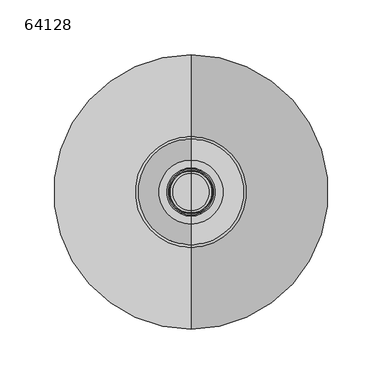
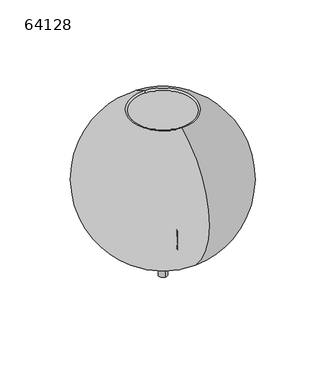
"""IFC4 building model written with IfcOpenShell, lengths in millimetres: light fixture geometry, 64128."""

from ifc_helpers import new_model, si_unit, point, frame, origin, place, context, project, spatial, polyline, circle_curve, ellipse_curve, trimmed, source, transform, mapped, element, save
from ifc_brep_helpers import plane_surface, cylinder_surface, revolved_surface, advanced_brep


def light_fixture_64128_de7f402c(model_context):
    return source(origin(), model_context, "Body", "AdvancedBrep", [
        advanced_brep(
        [(0.0, -49.3287589, 1399.5125762), (0.0, 49.3287589, 1399.5125762), (0.0, 50.5417612, 1402.2564103), (0.0, -50.5417612, 1402.2564103), (0.0, -22.77913, 1168.075448), (0.0, 22.77913, 1168.075448), (0.0, -23.3392726, 1165.1282051), (0.0, 23.3392726, 1165.1282051)],
        [
            (0, 1, circle_curve(frame((0.0, 0.0, 1399.5125762), z_axis=(0.0, 0.0, -1.0), x_axis=(0.0, 1.0, 0.0)), 49.3287589)),
            (1, 2, circle_curve(frame((0.0, 49.93526, 1400.8844932), z_axis=(-1.0, 0.0, 0.0), x_axis=(0.0, -1.0, 0.0)), 1.5)),
            (2, 3, circle_curve(frame((0.0, 0.0, 1402.2564103), z_axis=(0.0, 0.0, 1.0), x_axis=(0.0, 1.0, 0.0)), 50.5417612)),
            (3, 0, circle_curve(frame((0.0, -49.93526, 1400.8844932), z_axis=(-1.0, 0.0, 0.0), x_axis=(0.0, 1.0, 0.0)), 1.5)),
            (1, 0, circle_curve(frame((0.0, 0.0, 1399.5125762), z_axis=(0.0, 0.0, -1.0), x_axis=(0.0, 1.0, 0.0)), 49.3287589)),
            (3, 2, circle_curve(frame((0.0, 0.0, 1402.2564103), z_axis=(0.0, 0.0, 1.0), x_axis=(0.0, 1.0, 0.0)), 50.5417612)),
            (4, 5, circle_curve(frame((0.0, 0.0, 1168.075448), z_axis=(0.0, 0.0, -1.0), x_axis=(0.0, 1.0, 0.0)), 22.77913)),
            (5, 1, circle_curve(frame((0.0, 0.0, 1287.92999), z_axis=(1.0, 0.0, 0.0), x_axis=(0.0, -1.0, 0.0)), 122.0)),
            (0, 4, circle_curve(frame((0.0, 0.0, 1287.92999), z_axis=(1.0, 0.0, 0.0), x_axis=(0.0, 1.0, 0.0)), 122.0)),
            (5, 4, circle_curve(frame((0.0, 0.0, 1168.075448), z_axis=(0.0, 0.0, -1.0), x_axis=(0.0, 1.0, 0.0)), 22.77913)),
            (6, 7, circle_curve(frame((0.0, 0.0, 1165.1282051), z_axis=(0.0, 0.0, -1.0), x_axis=(0.0, 1.0, 0.0)), 23.3392726)),
            (7, 5, circle_curve(frame((0.0, 23.0592013, 1166.6018265), z_axis=(-1.0, 0.0, 0.0), x_axis=(0.0, -1.0, 0.0)), 1.5)),
            (4, 6, circle_curve(frame((0.0, -23.0592013, 1166.6018265), z_axis=(-1.0, 0.0, 0.0), x_axis=(0.0, 1.0, 0.0)), 1.5)),
            (7, 6, circle_curve(frame((0.0, 0.0, 1165.1282051), z_axis=(0.0, 0.0, -1.0), x_axis=(0.0, 1.0, 0.0)), 23.3392726)),
            (2, 7, circle_curve(frame((0.0, 0.0, 1287.92999), z_axis=(-1.0, 0.0, 0.0), x_axis=(0.0, -1.0, 0.0)), 125.0)),
            (6, 3, circle_curve(frame((0.0, 0.0, 1287.92999), z_axis=(-1.0, 0.0, 0.0), x_axis=(0.0, 1.0, 0.0)), 125.0)),
        ],
        [
            revolved_surface(trimmed(ellipse_curve(frame((0.0, 49.93526, 1400.8844932), z_axis=(1.0, 0.0, 0.0), x_axis=(0.0, -1.0, 0.0)), 1.5, 1.5), [point((0.0, 50.5417612, 1402.2564103))], [point((0.0, 49.3287589, 1399.5125762))], True, "CARTESIAN"), (0.0, 0.0, 2874.7117792), (0.0, 0.0, 1.0)),
            revolved_surface(trimmed(ellipse_curve(frame((0.0, 0.0, 1287.92999), z_axis=(-1.0, 0.0, 0.0), x_axis=(0.0, -1.0, 0.0)), 122.0, 122.0), [point((0.0, 49.3287589, 1399.5125762))], [point((0.0, 22.77913, 1168.075448))], True, "CARTESIAN"), (0.0, 0.0, 2874.7117792), (0.0, 0.0, 1.0)),
            revolved_surface(trimmed(ellipse_curve(frame((0.0, 23.0592013, 1166.6018265), z_axis=(1.0, 0.0, 0.0), x_axis=(0.0, -1.0, 0.0)), 1.5, 1.5), [point((0.0, 22.77913, 1168.075448))], [point((0.0, 23.3392726, 1165.1282051))], True, "CARTESIAN"), (0.0, 0.0, 2874.7117792), (0.0, 0.0, 1.0)),
            revolved_surface(trimmed(ellipse_curve(frame((0.0, 0.0, 1287.92999), z_axis=(1.0, 0.0, 0.0), x_axis=(0.0, -1.0, 0.0)), 125.0, 125.0), [point((0.0, 23.3392726, 1165.1282051))], [point((0.0, 50.5417612, 1402.2564103))], True, "CARTESIAN"), (0.0, 0.0, 2874.7117792), (0.0, 0.0, 1.0)),
        ],
        [
            (0, [[1, 2, 3, 4]]),
            (0, [[5, -4, 6, -2]]),
            (1, [[7, 8, -1, 9]]),
            (1, [[10, -9, -5, -8]]),
            (2, [[11, 12, -7, 13]]),
            (2, [[14, -13, -10, -12]]),
            (3, [[-3, 15, -11, 16]]),
            (3, [[-6, -16, -14, -15]]),
        ],
    ),
        advanced_brep(
        [(0.0, -19.8917379, 1179.5487052), (0.0, 19.8917379, 1179.5487052), (0.0, 21.8917379, 1179.5487052), (0.0, -21.8917379, 1179.5487052), (0.0, -19.8917379, 1169.4746311), (0.0, 19.8917379, 1169.4746311), (0.0, -29.1566952, 1169.4746311), (0.0, 29.1566952, 1169.4746311), (0.0, -29.1566952, 1172.4774801), (0.0, 29.1566952, 1172.4774801), (0.0, -21.8917379, 1172.4774801), (0.0, 21.8917379, 1172.4774801)],
        [
            (0, 1, circle_curve(frame((0.0, 0.0, 1179.5487052), z_axis=(0.0, 0.0, -1.0), x_axis=(0.0, 1.0, 0.0)), 19.8917379)),
            (1, 2),
            (2, 3, circle_curve(frame((0.0, 0.0, 1179.5487052), z_axis=(0.0, 0.0, 1.0), x_axis=(0.0, 1.0, 0.0)), 21.8917379)),
            (3, 0),
            (1, 0, circle_curve(frame((0.0, 0.0, 1179.5487052), z_axis=(0.0, 0.0, -1.0), x_axis=(0.0, 1.0, 0.0)), 19.8917379)),
            (3, 2, circle_curve(frame((0.0, 0.0, 1179.5487052), z_axis=(0.0, 0.0, 1.0), x_axis=(0.0, 1.0, 0.0)), 21.8917379)),
            (4, 5, circle_curve(frame((0.0, 0.0, 1169.4746311), z_axis=(0.0, 0.0, -1.0), x_axis=(0.0, 1.0, 0.0)), 19.8917379)),
            (5, 1),
            (0, 4),
            (5, 4, circle_curve(frame((0.0, 0.0, 1169.4746311), z_axis=(0.0, 0.0, -1.0), x_axis=(0.0, 1.0, 0.0)), 19.8917379)),
            (6, 7, circle_curve(frame((0.0, 0.0, 1169.4746311), z_axis=(0.0, 0.0, -1.0), x_axis=(0.0, 1.0, 0.0)), 29.1566952)),
            (7, 5),
            (4, 6),
            (7, 6, circle_curve(frame((0.0, 0.0, 1169.4746311), z_axis=(0.0, 0.0, -1.0), x_axis=(0.0, 1.0, 0.0)), 29.1566952)),
            (8, 9, circle_curve(frame((0.0, 0.0, 1172.4774801), z_axis=(0.0, 0.0, -1.0), x_axis=(0.0, 1.0, 0.0)), 29.1566952)),
            (9, 7),
            (6, 8),
            (9, 8, circle_curve(frame((0.0, 0.0, 1172.4774801), z_axis=(0.0, 0.0, -1.0), x_axis=(0.0, 1.0, 0.0)), 29.1566952)),
            (10, 11, circle_curve(frame((0.0, 0.0, 1172.4774801), z_axis=(0.0, 0.0, -1.0), x_axis=(0.0, 1.0, 0.0)), 21.8917379)),
            (11, 9),
            (8, 10),
            (11, 10, circle_curve(frame((0.0, 0.0, 1172.4774801), z_axis=(0.0, 0.0, -1.0), x_axis=(0.0, 1.0, 0.0)), 21.8917379)),
            (2, 11),
            (10, 3),
        ],
        [
            plane_surface(frame((0.0, 0.0, 1179.5487052), z_axis=(0.0, 0.0, 1.0), x_axis=(0.0, 1.0, 0.0))),
            revolved_surface(polyline([(0.0, 19.8917379, 1179.5487052), (0.0, 19.8917379, 1169.4746311)]), (0.0, 0.0, 2780.9328491), (0.0, 0.0, 1.0)),
            plane_surface(frame((0.0, 0.0, 1169.4746311), z_axis=(0.0, 0.0, -1.0), x_axis=(0.0, 1.0, 0.0))),
            cylinder_surface(frame((0.0, 0.0, 2780.9328491), z_axis=(0.0, 0.0, 1.0), x_axis=(0.0, 1.0, 0.0)), 29.1566952),
            plane_surface(frame((0.0, 0.0, 1172.4774801), z_axis=(0.0, 0.0, 1.0), x_axis=(0.0, 1.0, 0.0))),
            cylinder_surface(frame((0.0, 0.0, 2780.9328491), z_axis=(0.0, 0.0, 1.0), x_axis=(0.0, 1.0, 0.0)), 21.8917379),
        ],
        [
            (0, [[1, 2, 3, 4]]),
            (0, [[5, -4, 6, -2]]),
            (1, [[7, 8, -1, 9]]),
            (1, [[10, -9, -5, -8]]),
            (2, [[11, 12, -7, 13]]),
            (2, [[14, -13, -10, -12]]),
            (3, [[15, 16, -11, 17]]),
            (3, [[18, -17, -14, -16]]),
            (4, [[19, 20, -15, 21]]),
            (4, [[22, -21, -18, -20]]),
            (5, [[-3, 23, -19, 24]]),
            (5, [[-6, -24, -22, -23]]),
        ],
    ),
        advanced_brep(
        [(0.0, -18.985755, 1200.0), (0.0, 18.985755, 1200.0), (0.0, 18.985755, 1198.3532764), (0.0, -18.985755, 1198.3532764), (0.0, -17.0245015, 1200.0), (0.0, 17.0245015, 1200.0), (0.0, -17.0245015, 1160.5754986), (0.0, 17.0245015, 1160.5754986), (0.0, 0.0, 1160.5754986), (0.0, -3.002849, 1134.5783476), (0.0, 3.002849, 1134.5783476), (0.0, 0.0, 1134.5783476), (0.0, -3.002849, 1129.5783476), (0.0, 3.002849, 1129.5783476), (0.0, -6.4900285, 1129.5783476), (0.0, 6.4900285, 1129.5783476), (0.0, -6.4900285, 1146.6267806), (0.0, 6.4900285, 1146.6267806), (0.0, -11.4301994, 1146.6267806), (0.0, 11.4301994, 1146.6267806), (0.0, -12.011396, 1147.5954416), (0.0, 12.011396, 1147.5954416), (0.0, -21.6980057, 1157.5726496), (0.0, 21.6980057, 1157.5726496), (0.0, -24.4916255, 1157.5726496), (0.0, 24.4916255, 1157.5726496), (0.0, -27.4131054, 1160.4941295), (0.0, 27.4131054, 1160.4941295), (0.0, -27.4131054, 1165.1282051), (0.0, 27.4131054, 1165.1282051), (0.0, -18.985755, 1165.1282051), (0.0, 18.985755, 1165.1282051), (0.0, -18.985755, 1166.4843305), (0.0, 18.985755, 1166.4843305), (0.0, -19.9602556, 1166.4843305), (0.0, 19.9602556, 1166.4843305), (0.0, -19.9602556, 1168.1310541), (0.0, 19.9602556, 1168.1310541), (0.0, -18.985755, 1168.1310541), (0.0, 18.985755, 1168.1310541), (0.0, -18.985755, 1169.002849), (0.0, 18.985755, 1169.002849), (0.0, -19.9602556, 1169.002849), (0.0, 19.9602556, 1169.002849), (0.0, -19.9602556, 1170.6495726), (0.0, 19.9602556, 1170.6495726), (0.0, -18.985755, 1170.6495726), (0.0, 18.985755, 1170.6495726), (0.0, -18.985755, 1171.5213675), (0.0, 18.985755, 1171.5213675), (0.0, -19.9602556, 1171.5213675), (0.0, 19.9602556, 1171.5213675), (0.0, -19.9602556, 1173.1680912), (0.0, 19.9602556, 1173.1680912), (0.0, -18.985755, 1173.1680912), (0.0, 18.985755, 1173.1680912), (0.0, -18.985755, 1174.039886), (0.0, 18.985755, 1174.039886), (0.0, -19.9602556, 1174.039886), (0.0, 19.9602556, 1174.039886), (0.0, -19.9602556, 1175.6866097), (0.0, 19.9602556, 1175.6866097), (0.0, -18.985755, 1175.6866097), (0.0, 18.985755, 1175.6866097), (0.0, -18.985755, 1176.5584046), (0.0, 18.985755, 1176.5584046), (0.0, -19.9602556, 1176.5584046), (0.0, 19.9602556, 1176.5584046), (0.0, -19.9602556, 1178.2051282), (0.0, 19.9602556, 1178.2051282), (0.0, -18.985755, 1178.2051282), (0.0, 18.985755, 1178.2051282), (0.0, -18.985755, 1179.0769231), (0.0, 18.985755, 1179.0769231), (0.0, -19.9602556, 1179.0769231), (0.0, 19.9602556, 1179.0769231), (0.0, -19.9602556, 1180.7236467), (0.0, 19.9602556, 1180.7236467), (0.0, -18.985755, 1180.7236467), (0.0, 18.985755, 1180.7236467), (0.0, -18.985755, 1181.5954416), (0.0, 18.985755, 1181.5954416), (0.0, -19.9602556, 1181.5954416), (0.0, 19.9602556, 1181.5954416), (0.0, -19.9602556, 1183.2421652), (0.0, 19.9602556, 1183.2421652), (0.0, -18.985755, 1183.2421652), (0.0, 18.985755, 1183.2421652), (0.0, -18.985755, 1184.1139601), (0.0, 18.985755, 1184.1139601), (0.0, -19.9602556, 1184.1139601), (0.0, 19.9602556, 1184.1139601), (0.0, -19.9602556, 1185.7606838), (0.0, 19.9602556, 1185.7606838), (0.0, -18.985755, 1185.7606838), (0.0, 18.985755, 1185.7606838), (0.0, -18.985755, 1186.6324786), (0.0, 18.985755, 1186.6324786), (0.0, -19.9602556, 1186.6324786), (0.0, 19.9602556, 1186.6324786), (0.0, -19.9602556, 1188.2792023), (0.0, 19.9602556, 1188.2792023), (0.0, -18.985755, 1188.2792023), (0.0, 18.985755, 1188.2792023), (0.0, -18.985755, 1189.1509972), (0.0, 18.985755, 1189.1509972), (0.0, -19.9602556, 1189.1509972), (0.0, 19.9602556, 1189.1509972), (0.0, -19.9602556, 1190.7977208), (0.0, 19.9602556, 1190.7977208), (0.0, -18.985755, 1190.7977208), (0.0, 18.985755, 1190.7977208), (0.0, -18.985755, 1191.6695157), (0.0, 18.985755, 1191.6695157), (0.0, -19.9602556, 1191.6695157), (0.0, 19.9602556, 1191.6695157), (0.0, -19.9602556, 1193.3162393), (0.0, 19.9602556, 1193.3162393), (0.0, -18.985755, 1193.3162393), (0.0, 18.985755, 1193.3162393), (0.0, -18.985755, 1194.1880342), (0.0, 18.985755, 1194.1880342), (0.0, -19.9602556, 1194.1880342), (0.0, 19.9602556, 1194.1880342), (0.0, -19.9602556, 1195.8347578), (0.0, 19.9602556, 1195.8347578), (0.0, -18.985755, 1195.8347578), (0.0, 18.985755, 1195.8347578), (0.0, -18.985755, 1196.7065527), (0.0, 18.985755, 1196.7065527), (0.0, -19.9602556, 1196.7065527), (0.0, 19.9602556, 1196.7065527), (0.0, -19.9602556, 1198.3532764), (0.0, 19.9602556, 1198.3532764)],
        [
            (0, 1, circle_curve(frame((0.0, 0.0, 1200.0), z_axis=(0.0, 0.0, -1.0), x_axis=(0.0, 1.0, 0.0)), 18.985755)),
            (1, 2),
            (2, 3, circle_curve(frame((0.0, 0.0, 1198.3532764), z_axis=(0.0, 0.0, 1.0), x_axis=(0.0, 1.0, 0.0)), 18.985755)),
            (3, 0),
            (1, 0, circle_curve(frame((0.0, 0.0, 1200.0), z_axis=(0.0, 0.0, -1.0), x_axis=(0.0, 1.0, 0.0)), 18.985755)),
            (3, 2, circle_curve(frame((0.0, 0.0, 1198.3532764), z_axis=(0.0, 0.0, 1.0), x_axis=(0.0, 1.0, 0.0)), 18.985755)),
            (4, 5, circle_curve(frame((0.0, 0.0, 1200.0), z_axis=(0.0, 0.0, -1.0), x_axis=(0.0, 1.0, 0.0)), 17.0245015)),
            (5, 1),
            (0, 4),
            (5, 4, circle_curve(frame((0.0, 0.0, 1200.0), z_axis=(0.0, 0.0, -1.0), x_axis=(0.0, 1.0, 0.0)), 17.0245015)),
            (6, 7, circle_curve(frame((0.0, 0.0, 1160.5754986), z_axis=(0.0, 0.0, -1.0), x_axis=(0.0, 1.0, 0.0)), 17.0245015)),
            (7, 5),
            (4, 6),
            (7, 6, circle_curve(frame((0.0, 0.0, 1160.5754986), z_axis=(0.0, 0.0, -1.0), x_axis=(0.0, 1.0, 0.0)), 17.0245015)),
            (8, 7),
            (6, 8),
            (9, 10, circle_curve(frame((0.0, 0.0, 1134.5783476), z_axis=(0.0, 0.0, -1.0), x_axis=(0.0, 1.0, 0.0)), 3.002849)),
            (10, 11),
            (11, 9),
            (10, 9, circle_curve(frame((0.0, 0.0, 1134.5783476), z_axis=(0.0, 0.0, -1.0), x_axis=(0.0, 1.0, 0.0)), 3.002849)),
            (12, 13, circle_curve(frame((0.0, 0.0, 1129.5783476), z_axis=(0.0, 0.0, -1.0), x_axis=(0.0, 1.0, 0.0)), 3.002849)),
            (13, 10),
            (9, 12),
            (13, 12, circle_curve(frame((0.0, 0.0, 1129.5783476), z_axis=(0.0, 0.0, -1.0), x_axis=(0.0, 1.0, 0.0)), 3.002849)),
            (14, 15, circle_curve(frame((0.0, 0.0, 1129.5783476), z_axis=(0.0, 0.0, -1.0), x_axis=(0.0, 1.0, 0.0)), 6.4900285)),
            (15, 13),
            (12, 14),
            (15, 14, circle_curve(frame((0.0, 0.0, 1129.5783476), z_axis=(0.0, 0.0, -1.0), x_axis=(0.0, 1.0, 0.0)), 6.4900285)),
            (16, 17, circle_curve(frame((0.0, 0.0, 1146.6267806), z_axis=(0.0, 0.0, -1.0), x_axis=(0.0, 1.0, 0.0)), 6.4900285)),
            (17, 15),
            (14, 16),
            (17, 16, circle_curve(frame((0.0, 0.0, 1146.6267806), z_axis=(0.0, 0.0, -1.0), x_axis=(0.0, 1.0, 0.0)), 6.4900285)),
            (18, 19, circle_curve(frame((0.0, 0.0, 1146.6267806), z_axis=(0.0, 0.0, -1.0), x_axis=(0.0, 1.0, 0.0)), 11.4301994)),
            (19, 17),
            (16, 18),
            (19, 18, circle_curve(frame((0.0, 0.0, 1146.6267806), z_axis=(0.0, 0.0, -1.0), x_axis=(0.0, 1.0, 0.0)), 11.4301994)),
            (20, 21, circle_curve(frame((0.0, 0.0, 1147.5954416), z_axis=(0.0, 0.0, -1.0), x_axis=(0.0, 1.0, 0.0)), 12.011396)),
            (21, 19),
            (18, 20),
            (21, 20, circle_curve(frame((0.0, 0.0, 1147.5954416), z_axis=(0.0, 0.0, -1.0), x_axis=(0.0, 1.0, 0.0)), 12.011396)),
            (22, 23, circle_curve(frame((0.0, 0.0, 1157.5726496), z_axis=(0.0, 0.0, -1.0), x_axis=(0.0, 1.0, 0.0)), 21.6980057)),
            (23, 21, circle_curve(frame((0.0, 4.0865118, 1164.9803456), z_axis=(-1.0, 0.0, 0.0), x_axis=(0.0, -1.0, 0.0)), 19.1059854)),
            (20, 22, circle_curve(frame((0.0, -4.0865118, 1164.9803456), z_axis=(-1.0, 0.0, 0.0), x_axis=(0.0, 1.0, 0.0)), 19.1059854)),
            (23, 22, circle_curve(frame((0.0, 0.0, 1157.5726496), z_axis=(0.0, 0.0, -1.0), x_axis=(0.0, 1.0, 0.0)), 21.6980057)),
            (24, 25, circle_curve(frame((0.0, 0.0, 1157.5726496), z_axis=(0.0, 0.0, -1.0), x_axis=(0.0, 1.0, 0.0)), 24.4916255)),
            (25, 23),
            (22, 24),
            (25, 24, circle_curve(frame((0.0, 0.0, 1157.5726496), z_axis=(0.0, 0.0, -1.0), x_axis=(0.0, 1.0, 0.0)), 24.4916255)),
            (26, 27, circle_curve(frame((0.0, 0.0, 1160.4941295), z_axis=(0.0, 0.0, -1.0), x_axis=(0.0, 1.0, 0.0)), 27.4131054)),
            (27, 25, circle_curve(frame((0.0, 24.4916255, 1160.4941295), z_axis=(-1.0, 0.0, 0.0), x_axis=(0.0, -1.0, 0.0)), 2.9214799)),
            (24, 26, circle_curve(frame((0.0, -24.4916255, 1160.4941295), z_axis=(-1.0, 0.0, 0.0), x_axis=(0.0, 1.0, 0.0)), 2.9214799)),
            (27, 26, circle_curve(frame((0.0, 0.0, 1160.4941295), z_axis=(0.0, 0.0, -1.0), x_axis=(0.0, 1.0, 0.0)), 27.4131054)),
            (28, 29, circle_curve(frame((0.0, 0.0, 1165.1282051), z_axis=(0.0, 0.0, -1.0), x_axis=(0.0, 1.0, 0.0)), 27.4131054)),
            (29, 27),
            (26, 28),
            (29, 28, circle_curve(frame((0.0, 0.0, 1165.1282051), z_axis=(0.0, 0.0, -1.0), x_axis=(0.0, 1.0, 0.0)), 27.4131054)),
            (30, 31, circle_curve(frame((0.0, 0.0, 1165.1282051), z_axis=(0.0, 0.0, -1.0), x_axis=(0.0, 1.0, 0.0)), 18.985755)),
            (31, 29),
            (28, 30),
            (31, 30, circle_curve(frame((0.0, 0.0, 1165.1282051), z_axis=(0.0, 0.0, -1.0), x_axis=(0.0, 1.0, 0.0)), 18.985755)),
            (32, 33, circle_curve(frame((0.0, 0.0, 1166.4843305), z_axis=(0.0, 0.0, -1.0), x_axis=(0.0, 1.0, 0.0)), 18.985755)),
            (33, 31),
            (30, 32),
            (33, 32, circle_curve(frame((0.0, 0.0, 1166.4843305), z_axis=(0.0, 0.0, -1.0), x_axis=(0.0, 1.0, 0.0)), 18.985755)),
            (34, 35, circle_curve(frame((0.0, 0.0, 1166.4843305), z_axis=(0.0, 0.0, -1.0), x_axis=(0.0, 1.0, 0.0)), 19.9602556)),
            (35, 33),
            (32, 34),
            (35, 34, circle_curve(frame((0.0, 0.0, 1166.4843305), z_axis=(0.0, 0.0, -1.0), x_axis=(0.0, 1.0, 0.0)), 19.9602556)),
            (36, 37, circle_curve(frame((0.0, 0.0, 1168.1310541), z_axis=(0.0, 0.0, -1.0), x_axis=(0.0, 1.0, 0.0)), 19.9602556)),
            (37, 35, circle_curve(frame((0.0, 19.9602556, 1167.3076923), z_axis=(-1.0, 0.0, 0.0), x_axis=(0.0, -1.0, 0.0)), 0.8233618)),
            (34, 36, circle_curve(frame((0.0, -19.9602556, 1167.3076923), z_axis=(-1.0, 0.0, 0.0), x_axis=(0.0, 1.0, 0.0)), 0.8233618)),
            (37, 36, circle_curve(frame((0.0, 0.0, 1168.1310541), z_axis=(0.0, 0.0, -1.0), x_axis=(0.0, 1.0, 0.0)), 19.9602556)),
            (38, 39, circle_curve(frame((0.0, 0.0, 1168.1310541), z_axis=(0.0, 0.0, -1.0), x_axis=(0.0, 1.0, 0.0)), 18.985755)),
            (39, 37),
            (36, 38),
            (39, 38, circle_curve(frame((0.0, 0.0, 1168.1310541), z_axis=(0.0, 0.0, -1.0), x_axis=(0.0, 1.0, 0.0)), 18.985755)),
            (40, 41, circle_curve(frame((0.0, 0.0, 1169.002849), z_axis=(0.0, 0.0, -1.0), x_axis=(0.0, 1.0, 0.0)), 18.985755)),
            (41, 39),
            (38, 40),
            (41, 40, circle_curve(frame((0.0, 0.0, 1169.002849), z_axis=(0.0, 0.0, -1.0), x_axis=(0.0, 1.0, 0.0)), 18.985755)),
            (42, 43, circle_curve(frame((0.0, 0.0, 1169.002849), z_axis=(0.0, 0.0, -1.0), x_axis=(0.0, 1.0, 0.0)), 19.9602556)),
            (43, 41),
            (40, 42),
            (43, 42, circle_curve(frame((0.0, 0.0, 1169.002849), z_axis=(0.0, 0.0, -1.0), x_axis=(0.0, 1.0, 0.0)), 19.9602556)),
            (44, 45, circle_curve(frame((0.0, 0.0, 1170.6495726), z_axis=(0.0, 0.0, -1.0), x_axis=(0.0, 1.0, 0.0)), 19.9602556)),
            (45, 43, circle_curve(frame((0.0, 19.9602556, 1169.8262108), z_axis=(-1.0, 0.0, 0.0), x_axis=(0.0, -1.0, 0.0)), 0.8233618)),
            (42, 44, circle_curve(frame((0.0, -19.9602556, 1169.8262108), z_axis=(-1.0, 0.0, 0.0), x_axis=(0.0, 1.0, 0.0)), 0.8233618)),
            (45, 44, circle_curve(frame((0.0, 0.0, 1170.6495726), z_axis=(0.0, 0.0, -1.0), x_axis=(0.0, 1.0, 0.0)), 19.9602556)),
            (46, 47, circle_curve(frame((0.0, 0.0, 1170.6495726), z_axis=(0.0, 0.0, -1.0), x_axis=(0.0, 1.0, 0.0)), 18.985755)),
            (47, 45),
            (44, 46),
            (47, 46, circle_curve(frame((0.0, 0.0, 1170.6495726), z_axis=(0.0, 0.0, -1.0), x_axis=(0.0, 1.0, 0.0)), 18.985755)),
            (48, 49, circle_curve(frame((0.0, 0.0, 1171.5213675), z_axis=(0.0, 0.0, -1.0), x_axis=(0.0, 1.0, 0.0)), 18.985755)),
            (49, 47),
            (46, 48),
            (49, 48, circle_curve(frame((0.0, 0.0, 1171.5213675), z_axis=(0.0, 0.0, -1.0), x_axis=(0.0, 1.0, 0.0)), 18.985755)),
            (50, 51, circle_curve(frame((0.0, 0.0, 1171.5213675), z_axis=(0.0, 0.0, -1.0), x_axis=(0.0, 1.0, 0.0)), 19.9602556)),
            (51, 49),
            (48, 50),
            (51, 50, circle_curve(frame((0.0, 0.0, 1171.5213675), z_axis=(0.0, 0.0, -1.0), x_axis=(0.0, 1.0, 0.0)), 19.9602556)),
            (52, 53, circle_curve(frame((0.0, 0.0, 1173.1680912), z_axis=(0.0, 0.0, -1.0), x_axis=(0.0, 1.0, 0.0)), 19.9602556)),
            (53, 51, circle_curve(frame((0.0, 19.9602556, 1172.3447293), z_axis=(-1.0, 0.0, 0.0), x_axis=(0.0, -1.0, 0.0)), 0.8233618)),
            (50, 52, circle_curve(frame((0.0, -19.9602556, 1172.3447293), z_axis=(-1.0, 0.0, 0.0), x_axis=(0.0, 1.0, 0.0)), 0.8233618)),
            (53, 52, circle_curve(frame((0.0, 0.0, 1173.1680912), z_axis=(0.0, 0.0, -1.0), x_axis=(0.0, 1.0, 0.0)), 19.9602556)),
            (54, 55, circle_curve(frame((0.0, 0.0, 1173.1680912), z_axis=(0.0, 0.0, -1.0), x_axis=(0.0, 1.0, 0.0)), 18.985755)),
            (55, 53),
            (52, 54),
            (55, 54, circle_curve(frame((0.0, 0.0, 1173.1680912), z_axis=(0.0, 0.0, -1.0), x_axis=(0.0, 1.0, 0.0)), 18.985755)),
            (56, 57, circle_curve(frame((0.0, 0.0, 1174.039886), z_axis=(0.0, 0.0, -1.0), x_axis=(0.0, 1.0, 0.0)), 18.985755)),
            (57, 55),
            (54, 56),
            (57, 56, circle_curve(frame((0.0, 0.0, 1174.039886), z_axis=(0.0, 0.0, -1.0), x_axis=(0.0, 1.0, 0.0)), 18.985755)),
            (58, 59, circle_curve(frame((0.0, 0.0, 1174.039886), z_axis=(0.0, 0.0, -1.0), x_axis=(0.0, 1.0, 0.0)), 19.9602556)),
            (59, 57),
            (56, 58),
            (59, 58, circle_curve(frame((0.0, 0.0, 1174.039886), z_axis=(0.0, 0.0, -1.0), x_axis=(0.0, 1.0, 0.0)), 19.9602556)),
            (60, 61, circle_curve(frame((0.0, 0.0, 1175.6866097), z_axis=(0.0, 0.0, -1.0), x_axis=(0.0, 1.0, 0.0)), 19.9602556)),
            (61, 59, circle_curve(frame((0.0, 19.9602556, 1174.8632479), z_axis=(-1.0, 0.0, 0.0), x_axis=(0.0, -1.0, 0.0)), 0.8233618)),
            (58, 60, circle_curve(frame((0.0, -19.9602556, 1174.8632479), z_axis=(-1.0, 0.0, 0.0), x_axis=(0.0, 1.0, 0.0)), 0.8233618)),
            (61, 60, circle_curve(frame((0.0, 0.0, 1175.6866097), z_axis=(0.0, 0.0, -1.0), x_axis=(0.0, 1.0, 0.0)), 19.9602556)),
            (62, 63, circle_curve(frame((0.0, 0.0, 1175.6866097), z_axis=(0.0, 0.0, -1.0), x_axis=(0.0, 1.0, 0.0)), 18.985755)),
            (63, 61),
            (60, 62),
            (63, 62, circle_curve(frame((0.0, 0.0, 1175.6866097), z_axis=(0.0, 0.0, -1.0), x_axis=(0.0, 1.0, 0.0)), 18.985755)),
            (64, 65, circle_curve(frame((0.0, 0.0, 1176.5584046), z_axis=(0.0, 0.0, -1.0), x_axis=(0.0, 1.0, 0.0)), 18.985755)),
            (65, 63),
            (62, 64),
            (65, 64, circle_curve(frame((0.0, 0.0, 1176.5584046), z_axis=(0.0, 0.0, -1.0), x_axis=(0.0, 1.0, 0.0)), 18.985755)),
            (66, 67, circle_curve(frame((0.0, 0.0, 1176.5584046), z_axis=(0.0, 0.0, -1.0), x_axis=(0.0, 1.0, 0.0)), 19.9602556)),
            (67, 65),
            (64, 66),
            (67, 66, circle_curve(frame((0.0, 0.0, 1176.5584046), z_axis=(0.0, 0.0, -1.0), x_axis=(0.0, 1.0, 0.0)), 19.9602556)),
            (68, 69, circle_curve(frame((0.0, 0.0, 1178.2051282), z_axis=(0.0, 0.0, -1.0), x_axis=(0.0, 1.0, 0.0)), 19.9602556)),
            (69, 67, circle_curve(frame((0.0, 19.9602556, 1177.3817664), z_axis=(-1.0, 0.0, 0.0), x_axis=(0.0, -1.0, 0.0)), 0.8233618)),
            (66, 68, circle_curve(frame((0.0, -19.9602556, 1177.3817664), z_axis=(-1.0, 0.0, 0.0), x_axis=(0.0, 1.0, 0.0)), 0.8233618)),
            (69, 68, circle_curve(frame((0.0, 0.0, 1178.2051282), z_axis=(0.0, 0.0, -1.0), x_axis=(0.0, 1.0, 0.0)), 19.9602556)),
            (70, 71, circle_curve(frame((0.0, 0.0, 1178.2051282), z_axis=(0.0, 0.0, -1.0), x_axis=(0.0, 1.0, 0.0)), 18.985755)),
            (71, 69),
            (68, 70),
            (71, 70, circle_curve(frame((0.0, 0.0, 1178.2051282), z_axis=(0.0, 0.0, -1.0), x_axis=(0.0, 1.0, 0.0)), 18.985755)),
            (72, 73, circle_curve(frame((0.0, 0.0, 1179.0769231), z_axis=(0.0, 0.0, -1.0), x_axis=(0.0, 1.0, 0.0)), 18.985755)),
            (73, 71),
            (70, 72),
            (73, 72, circle_curve(frame((0.0, 0.0, 1179.0769231), z_axis=(0.0, 0.0, -1.0), x_axis=(0.0, 1.0, 0.0)), 18.985755)),
            (74, 75, circle_curve(frame((0.0, 0.0, 1179.0769231), z_axis=(0.0, 0.0, -1.0), x_axis=(0.0, 1.0, 0.0)), 19.9602556)),
            (75, 73),
            (72, 74),
            (75, 74, circle_curve(frame((0.0, 0.0, 1179.0769231), z_axis=(0.0, 0.0, -1.0), x_axis=(0.0, 1.0, 0.0)), 19.9602556)),
            (76, 77, circle_curve(frame((0.0, 0.0, 1180.7236467), z_axis=(0.0, 0.0, -1.0), x_axis=(0.0, 1.0, 0.0)), 19.9602556)),
            (77, 75, circle_curve(frame((0.0, 19.9602556, 1179.9002849), z_axis=(-1.0, 0.0, 0.0), x_axis=(0.0, -1.0, 0.0)), 0.8233618)),
            (74, 76, circle_curve(frame((0.0, -19.9602556, 1179.9002849), z_axis=(-1.0, 0.0, 0.0), x_axis=(0.0, 1.0, 0.0)), 0.8233618)),
            (77, 76, circle_curve(frame((0.0, 0.0, 1180.7236467), z_axis=(0.0, 0.0, -1.0), x_axis=(0.0, 1.0, 0.0)), 19.9602556)),
            (78, 79, circle_curve(frame((0.0, 0.0, 1180.7236467), z_axis=(0.0, 0.0, -1.0), x_axis=(0.0, 1.0, 0.0)), 18.985755)),
            (79, 77),
            (76, 78),
            (79, 78, circle_curve(frame((0.0, 0.0, 1180.7236467), z_axis=(0.0, 0.0, -1.0), x_axis=(0.0, 1.0, 0.0)), 18.985755)),
            (80, 81, circle_curve(frame((0.0, 0.0, 1181.5954416), z_axis=(0.0, 0.0, -1.0), x_axis=(0.0, 1.0, 0.0)), 18.985755)),
            (81, 79),
            (78, 80),
            (81, 80, circle_curve(frame((0.0, 0.0, 1181.5954416), z_axis=(0.0, 0.0, -1.0), x_axis=(0.0, 1.0, 0.0)), 18.985755)),
            (82, 83, circle_curve(frame((0.0, 0.0, 1181.5954416), z_axis=(0.0, 0.0, -1.0), x_axis=(0.0, 1.0, 0.0)), 19.9602556)),
            (83, 81),
            (80, 82),
            (83, 82, circle_curve(frame((0.0, 0.0, 1181.5954416), z_axis=(0.0, 0.0, -1.0), x_axis=(0.0, 1.0, 0.0)), 19.9602556)),
            (84, 85, circle_curve(frame((0.0, 0.0, 1183.2421652), z_axis=(0.0, 0.0, -1.0), x_axis=(0.0, 1.0, 0.0)), 19.9602556)),
            (85, 83, circle_curve(frame((0.0, 19.9602556, 1182.4188034), z_axis=(-1.0, 0.0, 0.0), x_axis=(0.0, -1.0, 0.0)), 0.8233618)),
            (82, 84, circle_curve(frame((0.0, -19.9602556, 1182.4188034), z_axis=(-1.0, 0.0, 0.0), x_axis=(0.0, 1.0, 0.0)), 0.8233618)),
            (85, 84, circle_curve(frame((0.0, 0.0, 1183.2421652), z_axis=(0.0, 0.0, -1.0), x_axis=(0.0, 1.0, 0.0)), 19.9602556)),
            (86, 87, circle_curve(frame((0.0, 0.0, 1183.2421652), z_axis=(0.0, 0.0, -1.0), x_axis=(0.0, 1.0, 0.0)), 18.985755)),
            (87, 85),
            (84, 86),
            (87, 86, circle_curve(frame((0.0, 0.0, 1183.2421652), z_axis=(0.0, 0.0, -1.0), x_axis=(0.0, 1.0, 0.0)), 18.985755)),
            (88, 89, circle_curve(frame((0.0, 0.0, 1184.1139601), z_axis=(0.0, 0.0, -1.0), x_axis=(0.0, 1.0, 0.0)), 18.985755)),
            (89, 87),
            (86, 88),
            (89, 88, circle_curve(frame((0.0, 0.0, 1184.1139601), z_axis=(0.0, 0.0, -1.0), x_axis=(0.0, 1.0, 0.0)), 18.985755)),
            (90, 91, circle_curve(frame((0.0, 0.0, 1184.1139601), z_axis=(0.0, 0.0, -1.0), x_axis=(0.0, 1.0, 0.0)), 19.9602556)),
            (91, 89),
            (88, 90),
            (91, 90, circle_curve(frame((0.0, 0.0, 1184.1139601), z_axis=(0.0, 0.0, -1.0), x_axis=(0.0, 1.0, 0.0)), 19.9602556)),
            (92, 93, circle_curve(frame((0.0, 0.0, 1185.7606838), z_axis=(0.0, 0.0, -1.0), x_axis=(0.0, 1.0, 0.0)), 19.9602556)),
            (93, 91, circle_curve(frame((0.0, 19.9602556, 1184.9373219), z_axis=(-1.0, 0.0, 0.0), x_axis=(0.0, -1.0, 0.0)), 0.8233618)),
            (90, 92, circle_curve(frame((0.0, -19.9602556, 1184.9373219), z_axis=(-1.0, 0.0, 0.0), x_axis=(0.0, 1.0, 0.0)), 0.8233618)),
            (93, 92, circle_curve(frame((0.0, 0.0, 1185.7606838), z_axis=(0.0, 0.0, -1.0), x_axis=(0.0, 1.0, 0.0)), 19.9602556)),
            (94, 95, circle_curve(frame((0.0, 0.0, 1185.7606838), z_axis=(0.0, 0.0, -1.0), x_axis=(0.0, 1.0, 0.0)), 18.985755)),
            (95, 93),
            (92, 94),
            (95, 94, circle_curve(frame((0.0, 0.0, 1185.7606838), z_axis=(0.0, 0.0, -1.0), x_axis=(0.0, 1.0, 0.0)), 18.985755)),
            (96, 97, circle_curve(frame((0.0, 0.0, 1186.6324786), z_axis=(0.0, 0.0, -1.0), x_axis=(0.0, 1.0, 0.0)), 18.985755)),
            (97, 95),
            (94, 96),
            (97, 96, circle_curve(frame((0.0, 0.0, 1186.6324786), z_axis=(0.0, 0.0, -1.0), x_axis=(0.0, 1.0, 0.0)), 18.985755)),
            (98, 99, circle_curve(frame((0.0, 0.0, 1186.6324786), z_axis=(0.0, 0.0, -1.0), x_axis=(0.0, 1.0, 0.0)), 19.9602556)),
            (99, 97),
            (96, 98),
            (99, 98, circle_curve(frame((0.0, 0.0, 1186.6324786), z_axis=(0.0, 0.0, -1.0), x_axis=(0.0, 1.0, 0.0)), 19.9602556)),
            (100, 101, circle_curve(frame((0.0, 0.0, 1188.2792023), z_axis=(0.0, 0.0, -1.0), x_axis=(0.0, 1.0, 0.0)), 19.9602556)),
            (101, 99, circle_curve(frame((0.0, 19.9602556, 1187.4558405), z_axis=(-1.0, 0.0, 0.0), x_axis=(0.0, -1.0, 0.0)), 0.8233618)),
            (98, 100, circle_curve(frame((0.0, -19.9602556, 1187.4558405), z_axis=(-1.0, 0.0, 0.0), x_axis=(0.0, 1.0, 0.0)), 0.8233618)),
            (101, 100, circle_curve(frame((0.0, 0.0, 1188.2792023), z_axis=(0.0, 0.0, -1.0), x_axis=(0.0, 1.0, 0.0)), 19.9602556)),
            (102, 103, circle_curve(frame((0.0, 0.0, 1188.2792023), z_axis=(0.0, 0.0, -1.0), x_axis=(0.0, 1.0, 0.0)), 18.985755)),
            (103, 101),
            (100, 102),
            (103, 102, circle_curve(frame((0.0, 0.0, 1188.2792023), z_axis=(0.0, 0.0, -1.0), x_axis=(0.0, 1.0, 0.0)), 18.985755)),
            (104, 105, circle_curve(frame((0.0, 0.0, 1189.1509972), z_axis=(0.0, 0.0, -1.0), x_axis=(0.0, 1.0, 0.0)), 18.985755)),
            (105, 103),
            (102, 104),
            (105, 104, circle_curve(frame((0.0, 0.0, 1189.1509972), z_axis=(0.0, 0.0, -1.0), x_axis=(0.0, 1.0, 0.0)), 18.985755)),
            (106, 107, circle_curve(frame((0.0, 0.0, 1189.1509972), z_axis=(0.0, 0.0, -1.0), x_axis=(0.0, 1.0, 0.0)), 19.9602556)),
            (107, 105),
            (104, 106),
            (107, 106, circle_curve(frame((0.0, 0.0, 1189.1509972), z_axis=(0.0, 0.0, -1.0), x_axis=(0.0, 1.0, 0.0)), 19.9602556)),
            (108, 109, circle_curve(frame((0.0, 0.0, 1190.7977208), z_axis=(0.0, 0.0, -1.0), x_axis=(0.0, 1.0, 0.0)), 19.9602556)),
            (109, 107, circle_curve(frame((0.0, 19.9602556, 1189.974359), z_axis=(-1.0, 0.0, 0.0), x_axis=(0.0, -1.0, 0.0)), 0.8233618)),
            (106, 108, circle_curve(frame((0.0, -19.9602556, 1189.974359), z_axis=(-1.0, 0.0, 0.0), x_axis=(0.0, 1.0, 0.0)), 0.8233618)),
            (109, 108, circle_curve(frame((0.0, 0.0, 1190.7977208), z_axis=(0.0, 0.0, -1.0), x_axis=(0.0, 1.0, 0.0)), 19.9602556)),
            (110, 111, circle_curve(frame((0.0, 0.0, 1190.7977208), z_axis=(0.0, 0.0, -1.0), x_axis=(0.0, 1.0, 0.0)), 18.985755)),
            (111, 109),
            (108, 110),
            (111, 110, circle_curve(frame((0.0, 0.0, 1190.7977208), z_axis=(0.0, 0.0, -1.0), x_axis=(0.0, 1.0, 0.0)), 18.985755)),
            (112, 113, circle_curve(frame((0.0, 0.0, 1191.6695157), z_axis=(0.0, 0.0, -1.0), x_axis=(0.0, 1.0, 0.0)), 18.985755)),
            (113, 111),
            (110, 112),
            (113, 112, circle_curve(frame((0.0, 0.0, 1191.6695157), z_axis=(0.0, 0.0, -1.0), x_axis=(0.0, 1.0, 0.0)), 18.985755)),
            (114, 115, circle_curve(frame((0.0, 0.0, 1191.6695157), z_axis=(0.0, 0.0, -1.0), x_axis=(0.0, 1.0, 0.0)), 19.9602556)),
            (115, 113),
            (112, 114),
            (115, 114, circle_curve(frame((0.0, 0.0, 1191.6695157), z_axis=(0.0, 0.0, -1.0), x_axis=(0.0, 1.0, 0.0)), 19.9602556)),
            (116, 117, circle_curve(frame((0.0, 0.0, 1193.3162393), z_axis=(0.0, 0.0, -1.0), x_axis=(0.0, 1.0, 0.0)), 19.9602556)),
            (117, 115, circle_curve(frame((0.0, 19.9602556, 1192.4928775), z_axis=(-1.0, 0.0, 0.0), x_axis=(0.0, -1.0, 0.0)), 0.8233618)),
            (114, 116, circle_curve(frame((0.0, -19.9602556, 1192.4928775), z_axis=(-1.0, 0.0, 0.0), x_axis=(0.0, 1.0, 0.0)), 0.8233618)),
            (117, 116, circle_curve(frame((0.0, 0.0, 1193.3162393), z_axis=(0.0, 0.0, -1.0), x_axis=(0.0, 1.0, 0.0)), 19.9602556)),
            (118, 119, circle_curve(frame((0.0, 0.0, 1193.3162393), z_axis=(0.0, 0.0, -1.0), x_axis=(0.0, 1.0, 0.0)), 18.985755)),
            (119, 117),
            (116, 118),
            (119, 118, circle_curve(frame((0.0, 0.0, 1193.3162393), z_axis=(0.0, 0.0, -1.0), x_axis=(0.0, 1.0, 0.0)), 18.985755)),
            (120, 121, circle_curve(frame((0.0, 0.0, 1194.1880342), z_axis=(0.0, 0.0, -1.0), x_axis=(0.0, 1.0, 0.0)), 18.985755)),
            (121, 119),
            (118, 120),
            (121, 120, circle_curve(frame((0.0, 0.0, 1194.1880342), z_axis=(0.0, 0.0, -1.0), x_axis=(0.0, 1.0, 0.0)), 18.985755)),
            (122, 123, circle_curve(frame((0.0, 0.0, 1194.1880342), z_axis=(0.0, 0.0, -1.0), x_axis=(0.0, 1.0, 0.0)), 19.9602556)),
            (123, 121),
            (120, 122),
            (123, 122, circle_curve(frame((0.0, 0.0, 1194.1880342), z_axis=(0.0, 0.0, -1.0), x_axis=(0.0, 1.0, 0.0)), 19.9602556)),
            (124, 125, circle_curve(frame((0.0, 0.0, 1195.8347578), z_axis=(0.0, 0.0, -1.0), x_axis=(0.0, 1.0, 0.0)), 19.9602556)),
            (125, 123, circle_curve(frame((0.0, 19.9602556, 1195.011396), z_axis=(-1.0, 0.0, 0.0), x_axis=(0.0, -1.0, 0.0)), 0.8233618)),
            (122, 124, circle_curve(frame((0.0, -19.9602556, 1195.011396), z_axis=(-1.0, 0.0, 0.0), x_axis=(0.0, 1.0, 0.0)), 0.8233618)),
            (125, 124, circle_curve(frame((0.0, 0.0, 1195.8347578), z_axis=(0.0, 0.0, -1.0), x_axis=(0.0, 1.0, 0.0)), 19.9602556)),
            (126, 127, circle_curve(frame((0.0, 0.0, 1195.8347578), z_axis=(0.0, 0.0, -1.0), x_axis=(0.0, 1.0, 0.0)), 18.985755)),
            (127, 125),
            (124, 126),
            (127, 126, circle_curve(frame((0.0, 0.0, 1195.8347578), z_axis=(0.0, 0.0, -1.0), x_axis=(0.0, 1.0, 0.0)), 18.985755)),
            (128, 129, circle_curve(frame((0.0, 0.0, 1196.7065527), z_axis=(0.0, 0.0, -1.0), x_axis=(0.0, 1.0, 0.0)), 18.985755)),
            (129, 127),
            (126, 128),
            (129, 128, circle_curve(frame((0.0, 0.0, 1196.7065527), z_axis=(0.0, 0.0, -1.0), x_axis=(0.0, 1.0, 0.0)), 18.985755)),
            (130, 131, circle_curve(frame((0.0, 0.0, 1196.7065527), z_axis=(0.0, 0.0, -1.0), x_axis=(0.0, 1.0, 0.0)), 19.9602556)),
            (131, 129),
            (128, 130),
            (131, 130, circle_curve(frame((0.0, 0.0, 1196.7065527), z_axis=(0.0, 0.0, -1.0), x_axis=(0.0, 1.0, 0.0)), 19.9602556)),
            (132, 133, circle_curve(frame((0.0, 0.0, 1198.3532764), z_axis=(0.0, 0.0, -1.0), x_axis=(0.0, 1.0, 0.0)), 19.9602556)),
            (133, 131, circle_curve(frame((0.0, 19.9602556, 1197.5299145), z_axis=(-1.0, 0.0, 0.0), x_axis=(0.0, -1.0, 0.0)), 0.8233618)),
            (130, 132, circle_curve(frame((0.0, -19.9602556, 1197.5299145), z_axis=(-1.0, 0.0, 0.0), x_axis=(0.0, 1.0, 0.0)), 0.8233618)),
            (133, 132, circle_curve(frame((0.0, 0.0, 1198.3532764), z_axis=(0.0, 0.0, -1.0), x_axis=(0.0, 1.0, 0.0)), 19.9602556)),
            (2, 133),
            (132, 3),
        ],
        [
            cylinder_surface(frame((0.0, 0.0, 2922.3698989), z_axis=(0.0, 0.0, 1.0), x_axis=(0.0, 1.0, 0.0)), 18.985755),
            plane_surface(frame((0.0, 0.0, 1200.0), z_axis=(0.0, 0.0, 1.0), x_axis=(0.0, 1.0, 0.0))),
            revolved_surface(polyline([(0.0, 17.0245015, 1200.0), (0.0, 17.0245015, 1160.5754986)]), (0.0, 0.0, 2922.3698989), (0.0, 0.0, 1.0)),
            plane_surface(frame((0.0, 0.0, 1160.5754986), z_axis=(0.0, 0.0, 1.0), x_axis=(0.0, 1.0, 0.0))),
            plane_surface(frame((0.0, 0.0, 1134.5783476), z_axis=(0.0, 0.0, -1.0), x_axis=(0.0, 1.0, 0.0))),
            revolved_surface(polyline([(0.0, 3.002849, 1134.5783476), (0.0, 3.002849, 1129.5783476)]), (0.0, 0.0, 2922.3698989), (0.0, 0.0, 1.0)),
            plane_surface(frame((0.0, 0.0, 1129.5783476), z_axis=(0.0, 0.0, -1.0), x_axis=(0.0, 1.0, 0.0))),
            cylinder_surface(frame((0.0, 0.0, 2922.3698989), z_axis=(0.0, 0.0, 1.0), x_axis=(0.0, 1.0, 0.0)), 6.4900285),
            plane_surface(frame((0.0, 0.0, 1146.6267806), z_axis=(0.0, 0.0, -1.0), x_axis=(0.0, 1.0, 0.0))),
            revolved_surface(polyline([(0.0, 11.4301994, 1146.6267806), (0.0, 12.011396, 1147.5954416)]), (0.0, 0.0, 2922.3698989), (0.0, 0.0, 1.0)),
            revolved_surface(trimmed(ellipse_curve(frame((0.0, 4.0865118, 1164.9803456), z_axis=(1.0, 0.0, 0.0), x_axis=(0.0, -1.0, 0.0)), 19.1059854, 19.1059854), [point((0.0, 12.011396, 1147.5954416))], [point((0.0, 21.6980057, 1157.5726496))], True, "CARTESIAN"), (0.0, 0.0, 2922.3698989), (0.0, 0.0, 1.0)),
            plane_surface(frame((0.0, 0.0, 1157.5726496), z_axis=(0.0, 0.0, -1.0), x_axis=(0.0, 1.0, 0.0))),
            revolved_surface(trimmed(ellipse_curve(frame((0.0, 24.4916255, 1160.4941295), z_axis=(1.0, 0.0, 0.0), x_axis=(0.0, -1.0, 0.0)), 2.9214799, 2.9214799), [point((0.0, 24.4916255, 1157.5726496))], [point((0.0, 27.4131054, 1160.4941295))], True, "CARTESIAN"), (0.0, 0.0, 2922.3698989), (0.0, 0.0, 1.0)),
            cylinder_surface(frame((0.0, 0.0, 2922.3698989), z_axis=(0.0, 0.0, 1.0), x_axis=(0.0, 1.0, 0.0)), 27.4131054),
            plane_surface(frame((0.0, 0.0, 1165.1282051), z_axis=(0.0, 0.0, 1.0), x_axis=(0.0, 1.0, 0.0))),
            plane_surface(frame((0.0, 0.0, 1166.4843305), z_axis=(0.0, 0.0, -1.0), x_axis=(0.0, 1.0, 0.0))),
            revolved_surface(trimmed(ellipse_curve(frame((0.0, 19.9602556, 1167.3076923), z_axis=(1.0, 0.0, 0.0), x_axis=(0.0, -1.0, 0.0)), 0.8233618, 0.8233618), [point((0.0, 19.9602556, 1166.4843305))], [point((0.0, 19.9602556, 1168.1310541))], True, "CARTESIAN"), (0.0, 0.0, 2922.3698989), (0.0, 0.0, 1.0)),
            plane_surface(frame((0.0, 0.0, 1168.1310541), z_axis=(0.0, 0.0, 1.0), x_axis=(0.0, 1.0, 0.0))),
            plane_surface(frame((0.0, 0.0, 1169.002849), z_axis=(0.0, 0.0, -1.0), x_axis=(0.0, 1.0, 0.0))),
            revolved_surface(trimmed(ellipse_curve(frame((0.0, 19.9602556, 1169.8262108), z_axis=(1.0, 0.0, 0.0), x_axis=(0.0, -1.0, 0.0)), 0.8233618, 0.8233618), [point((0.0, 19.9602556, 1169.002849))], [point((0.0, 19.9602556, 1170.6495726))], True, "CARTESIAN"), (0.0, 0.0, 2922.3698989), (0.0, 0.0, 1.0)),
            plane_surface(frame((0.0, 0.0, 1170.6495726), z_axis=(0.0, 0.0, 1.0), x_axis=(0.0, 1.0, 0.0))),
            plane_surface(frame((0.0, 0.0, 1171.5213675), z_axis=(0.0, 0.0, -1.0), x_axis=(0.0, 1.0, 0.0))),
            revolved_surface(trimmed(ellipse_curve(frame((0.0, 19.9602556, 1172.3447293), z_axis=(1.0, 0.0, 0.0), x_axis=(0.0, -1.0, 0.0)), 0.8233618, 0.8233618), [point((0.0, 19.9602556, 1171.5213675))], [point((0.0, 19.9602556, 1173.1680912))], True, "CARTESIAN"), (0.0, 0.0, 2922.3698989), (0.0, 0.0, 1.0)),
            plane_surface(frame((0.0, 0.0, 1173.1680912), z_axis=(0.0, 0.0, 1.0), x_axis=(0.0, 1.0, 0.0))),
            plane_surface(frame((0.0, 0.0, 1174.039886), z_axis=(0.0, 0.0, -1.0), x_axis=(0.0, 1.0, 0.0))),
            revolved_surface(trimmed(ellipse_curve(frame((0.0, 19.9602556, 1174.8632479), z_axis=(1.0, 0.0, 0.0), x_axis=(0.0, -1.0, 0.0)), 0.8233618, 0.8233618), [point((0.0, 19.9602556, 1174.039886))], [point((0.0, 19.9602556, 1175.6866097))], True, "CARTESIAN"), (0.0, 0.0, 2922.3698989), (0.0, 0.0, 1.0)),
            plane_surface(frame((0.0, 0.0, 1175.6866097), z_axis=(0.0, 0.0, 1.0), x_axis=(0.0, 1.0, 0.0))),
            plane_surface(frame((0.0, 0.0, 1176.5584046), z_axis=(0.0, 0.0, -1.0), x_axis=(0.0, 1.0, 0.0))),
            revolved_surface(trimmed(ellipse_curve(frame((0.0, 19.9602556, 1177.3817664), z_axis=(1.0, 0.0, 0.0), x_axis=(0.0, -1.0, 0.0)), 0.8233618, 0.8233618), [point((0.0, 19.9602556, 1176.5584046))], [point((0.0, 19.9602556, 1178.2051282))], True, "CARTESIAN"), (0.0, 0.0, 2922.3698989), (0.0, 0.0, 1.0)),
            plane_surface(frame((0.0, 0.0, 1178.2051282), z_axis=(0.0, 0.0, 1.0), x_axis=(0.0, 1.0, 0.0))),
            plane_surface(frame((0.0, 0.0, 1179.0769231), z_axis=(0.0, 0.0, -1.0), x_axis=(0.0, 1.0, 0.0))),
            revolved_surface(trimmed(ellipse_curve(frame((0.0, 19.9602556, 1179.9002849), z_axis=(1.0, 0.0, 0.0), x_axis=(0.0, -1.0, 0.0)), 0.8233618, 0.8233618), [point((0.0, 19.9602556, 1179.0769231))], [point((0.0, 19.9602556, 1180.7236467))], True, "CARTESIAN"), (0.0, 0.0, 2922.3698989), (0.0, 0.0, 1.0)),
            plane_surface(frame((0.0, 0.0, 1180.7236467), z_axis=(0.0, 0.0, 1.0), x_axis=(0.0, 1.0, 0.0))),
            plane_surface(frame((0.0, 0.0, 1181.5954416), z_axis=(0.0, 0.0, -1.0), x_axis=(0.0, 1.0, 0.0))),
            revolved_surface(trimmed(ellipse_curve(frame((0.0, 19.9602556, 1182.4188034), z_axis=(1.0, 0.0, 0.0), x_axis=(0.0, -1.0, 0.0)), 0.8233618, 0.8233618), [point((0.0, 19.9602556, 1181.5954416))], [point((0.0, 19.9602556, 1183.2421652))], True, "CARTESIAN"), (0.0, 0.0, 2922.3698989), (0.0, 0.0, 1.0)),
            plane_surface(frame((0.0, 0.0, 1183.2421652), z_axis=(0.0, 0.0, 1.0), x_axis=(0.0, 1.0, 0.0))),
            plane_surface(frame((0.0, 0.0, 1184.1139601), z_axis=(0.0, 0.0, -1.0), x_axis=(0.0, 1.0, 0.0))),
            revolved_surface(trimmed(ellipse_curve(frame((0.0, 19.9602556, 1184.9373219), z_axis=(1.0, 0.0, 0.0), x_axis=(0.0, -1.0, 0.0)), 0.8233618, 0.8233618), [point((0.0, 19.9602556, 1184.1139601))], [point((0.0, 19.9602556, 1185.7606838))], True, "CARTESIAN"), (0.0, 0.0, 2922.3698989), (0.0, 0.0, 1.0)),
            plane_surface(frame((0.0, 0.0, 1185.7606838), z_axis=(0.0, 0.0, 1.0), x_axis=(0.0, 1.0, 0.0))),
            plane_surface(frame((0.0, 0.0, 1186.6324786), z_axis=(0.0, 0.0, -1.0), x_axis=(0.0, 1.0, 0.0))),
            revolved_surface(trimmed(ellipse_curve(frame((0.0, 19.9602556, 1187.4558405), z_axis=(1.0, 0.0, 0.0), x_axis=(0.0, -1.0, 0.0)), 0.8233618, 0.8233618), [point((0.0, 19.9602556, 1186.6324786))], [point((0.0, 19.9602556, 1188.2792023))], True, "CARTESIAN"), (0.0, 0.0, 2922.3698989), (0.0, 0.0, 1.0)),
            plane_surface(frame((0.0, 0.0, 1188.2792023), z_axis=(0.0, 0.0, 1.0), x_axis=(0.0, 1.0, 0.0))),
            plane_surface(frame((0.0, 0.0, 1189.1509972), z_axis=(0.0, 0.0, -1.0), x_axis=(0.0, 1.0, 0.0))),
            revolved_surface(trimmed(ellipse_curve(frame((0.0, 19.9602556, 1189.974359), z_axis=(1.0, 0.0, 0.0), x_axis=(0.0, -1.0, 0.0)), 0.8233618, 0.8233618), [point((0.0, 19.9602556, 1189.1509972))], [point((0.0, 19.9602556, 1190.7977208))], True, "CARTESIAN"), (0.0, 0.0, 2922.3698989), (0.0, 0.0, 1.0)),
            plane_surface(frame((0.0, 0.0, 1190.7977208), z_axis=(0.0, 0.0, 1.0), x_axis=(0.0, 1.0, 0.0))),
            plane_surface(frame((0.0, 0.0, 1191.6695157), z_axis=(0.0, 0.0, -1.0), x_axis=(0.0, 1.0, 0.0))),
            revolved_surface(trimmed(ellipse_curve(frame((0.0, 19.9602556, 1192.4928775), z_axis=(1.0, 0.0, 0.0), x_axis=(0.0, -1.0, 0.0)), 0.8233618, 0.8233618), [point((0.0, 19.9602556, 1191.6695157))], [point((0.0, 19.9602556, 1193.3162393))], True, "CARTESIAN"), (0.0, 0.0, 2922.3698989), (0.0, 0.0, 1.0)),
            plane_surface(frame((0.0, 0.0, 1193.3162393), z_axis=(0.0, 0.0, 1.0), x_axis=(0.0, 1.0, 0.0))),
            plane_surface(frame((0.0, 0.0, 1194.1880342), z_axis=(0.0, 0.0, -1.0), x_axis=(0.0, 1.0, 0.0))),
            revolved_surface(trimmed(ellipse_curve(frame((0.0, 19.9602556, 1195.011396), z_axis=(1.0, 0.0, 0.0), x_axis=(0.0, -1.0, 0.0)), 0.8233618, 0.8233618), [point((0.0, 19.9602556, 1194.1880342))], [point((0.0, 19.9602556, 1195.8347578))], True, "CARTESIAN"), (0.0, 0.0, 2922.3698989), (0.0, 0.0, 1.0)),
            plane_surface(frame((0.0, 0.0, 1195.8347578), z_axis=(0.0, 0.0, 1.0), x_axis=(0.0, 1.0, 0.0))),
            plane_surface(frame((0.0, 0.0, 1196.7065527), z_axis=(0.0, 0.0, -1.0), x_axis=(0.0, 1.0, 0.0))),
            revolved_surface(trimmed(ellipse_curve(frame((0.0, 19.9602556, 1197.5299145), z_axis=(1.0, 0.0, 0.0), x_axis=(0.0, -1.0, 0.0)), 0.8233618, 0.8233618), [point((0.0, 19.9602556, 1196.7065527))], [point((0.0, 19.9602556, 1198.3532764))], True, "CARTESIAN"), (0.0, 0.0, 2922.3698989), (0.0, 0.0, 1.0)),
            plane_surface(frame((0.0, 0.0, 1198.3532764), z_axis=(0.0, 0.0, 1.0), x_axis=(0.0, 1.0, 0.0))),
        ],
        [
            (0, [[1, 2, 3, 4]]),
            (0, [[5, -4, 6, -2]]),
            (1, [[7, 8, -1, 9]]),
            (1, [[10, -9, -5, -8]]),
            (2, [[11, 12, -7, 13]]),
            (2, [[14, -13, -10, -12]]),
            (3, [[15, -11, 16]]),
            (3, [[-16, -14, -15]]),
            (4, [[17, 18, 19]]),
            (4, [[20, -19, -18]]),
            (5, [[21, 22, -17, 23]]),
            (5, [[24, -23, -20, -22]]),
            (6, [[25, 26, -21, 27]]),
            (6, [[28, -27, -24, -26]]),
            (7, [[29, 30, -25, 31]]),
            (7, [[32, -31, -28, -30]]),
            (8, [[33, 34, -29, 35]]),
            (8, [[36, -35, -32, -34]]),
            (9, [[37, 38, -33, 39]]),
            (9, [[40, -39, -36, -38]]),
            (10, [[41, 42, -37, 43]]),
            (10, [[44, -43, -40, -42]]),
            (11, [[45, 46, -41, 47]]),
            (11, [[48, -47, -44, -46]]),
            (12, [[49, 50, -45, 51]]),
            (12, [[52, -51, -48, -50]]),
            (13, [[53, 54, -49, 55]]),
            (13, [[56, -55, -52, -54]]),
            (14, [[57, 58, -53, 59]]),
            (14, [[60, -59, -56, -58]]),
            (0, [[61, 62, -57, 63]]),
            (0, [[64, -63, -60, -62]]),
            (15, [[65, 66, -61, 67]]),
            (15, [[68, -67, -64, -66]]),
            (16, [[69, 70, -65, 71]]),
            (16, [[72, -71, -68, -70]]),
            (17, [[73, 74, -69, 75]]),
            (17, [[76, -75, -72, -74]]),
            (0, [[77, 78, -73, 79]]),
            (0, [[80, -79, -76, -78]]),
            (18, [[81, 82, -77, 83]]),
            (18, [[84, -83, -80, -82]]),
            (19, [[85, 86, -81, 87]]),
            (19, [[88, -87, -84, -86]]),
            (20, [[89, 90, -85, 91]]),
            (20, [[92, -91, -88, -90]]),
            (0, [[93, 94, -89, 95]]),
            (0, [[96, -95, -92, -94]]),
            (21, [[97, 98, -93, 99]]),
            (21, [[100, -99, -96, -98]]),
            (22, [[101, 102, -97, 103]]),
            (22, [[104, -103, -100, -102]]),
            (23, [[105, 106, -101, 107]]),
            (23, [[108, -107, -104, -106]]),
            (0, [[109, 110, -105, 111]]),
            (0, [[112, -111, -108, -110]]),
            (24, [[113, 114, -109, 115]]),
            (24, [[116, -115, -112, -114]]),
            (25, [[117, 118, -113, 119]]),
            (25, [[120, -119, -116, -118]]),
            (26, [[121, 122, -117, 123]]),
            (26, [[124, -123, -120, -122]]),
            (0, [[125, 126, -121, 127]]),
            (0, [[128, -127, -124, -126]]),
            (27, [[129, 130, -125, 131]]),
            (27, [[132, -131, -128, -130]]),
            (28, [[133, 134, -129, 135]]),
            (28, [[136, -135, -132, -134]]),
            (29, [[137, 138, -133, 139]]),
            (29, [[140, -139, -136, -138]]),
            (0, [[141, 142, -137, 143]]),
            (0, [[144, -143, -140, -142]]),
            (30, [[145, 146, -141, 147]]),
            (30, [[148, -147, -144, -146]]),
            (31, [[149, 150, -145, 151]]),
            (31, [[152, -151, -148, -150]]),
            (32, [[153, 154, -149, 155]]),
            (32, [[156, -155, -152, -154]]),
            (0, [[157, 158, -153, 159]]),
            (0, [[160, -159, -156, -158]]),
            (33, [[161, 162, -157, 163]]),
            (33, [[164, -163, -160, -162]]),
            (34, [[165, 166, -161, 167]]),
            (34, [[168, -167, -164, -166]]),
            (35, [[169, 170, -165, 171]]),
            (35, [[172, -171, -168, -170]]),
            (0, [[173, 174, -169, 175]]),
            (0, [[176, -175, -172, -174]]),
            (36, [[177, 178, -173, 179]]),
            (36, [[180, -179, -176, -178]]),
            (37, [[181, 182, -177, 183]]),
            (37, [[184, -183, -180, -182]]),
            (38, [[185, 186, -181, 187]]),
            (38, [[188, -187, -184, -186]]),
            (0, [[189, 190, -185, 191]]),
            (0, [[192, -191, -188, -190]]),
            (39, [[193, 194, -189, 195]]),
            (39, [[196, -195, -192, -194]]),
            (40, [[197, 198, -193, 199]]),
            (40, [[200, -199, -196, -198]]),
            (41, [[201, 202, -197, 203]]),
            (41, [[204, -203, -200, -202]]),
            (0, [[205, 206, -201, 207]]),
            (0, [[208, -207, -204, -206]]),
            (42, [[209, 210, -205, 211]]),
            (42, [[212, -211, -208, -210]]),
            (43, [[213, 214, -209, 215]]),
            (43, [[216, -215, -212, -214]]),
            (44, [[217, 218, -213, 219]]),
            (44, [[220, -219, -216, -218]]),
            (0, [[221, 222, -217, 223]]),
            (0, [[224, -223, -220, -222]]),
            (45, [[225, 226, -221, 227]]),
            (45, [[228, -227, -224, -226]]),
            (46, [[229, 230, -225, 231]]),
            (46, [[232, -231, -228, -230]]),
            (47, [[233, 234, -229, 235]]),
            (47, [[236, -235, -232, -234]]),
            (0, [[237, 238, -233, 239]]),
            (0, [[240, -239, -236, -238]]),
            (48, [[241, 242, -237, 243]]),
            (48, [[244, -243, -240, -242]]),
            (49, [[245, 246, -241, 247]]),
            (49, [[248, -247, -244, -246]]),
            (50, [[249, 250, -245, 251]]),
            (50, [[252, -251, -248, -250]]),
            (0, [[253, 254, -249, 255]]),
            (0, [[256, -255, -252, -254]]),
            (51, [[257, 258, -253, 259]]),
            (51, [[260, -259, -256, -258]]),
            (52, [[261, 262, -257, 263]]),
            (52, [[264, -263, -260, -262]]),
            (53, [[-3, 265, -261, 266]]),
            (53, [[-6, -266, -264, -265]]),
        ],
    ),
    ])


if __name__ == "__main__":
    model = new_model("IFC4")
    model_context = context("Model", 3, world=origin())
    ifc_project = project(units=[si_unit("LENGTHUNIT", "METRE", prefix="MILLI")], contexts=[model_context])
    site = spatial("IfcSite", under=ifc_project)
    building = spatial("IfcBuilding", under=site)
    placement = place(None, origin())
    light_fixture_64128_shape = light_fixture_64128_de7f402c(model_context)
    element("IfcLightFixture", 1, ObjectType="64128", at=placement, inside=building, context=model_context, shape_type="MappedRepresentation", body=[
        mapped(light_fixture_64128_shape, transform((0.0, 0.0, 0.0), x_axis=(1.0, 0.0, 0.0), y_axis=(0.0, 1.0, 0.0), z_axis=(0.0, 0.0, 1.0))),
    ])
    save(model, "model.ifc")
